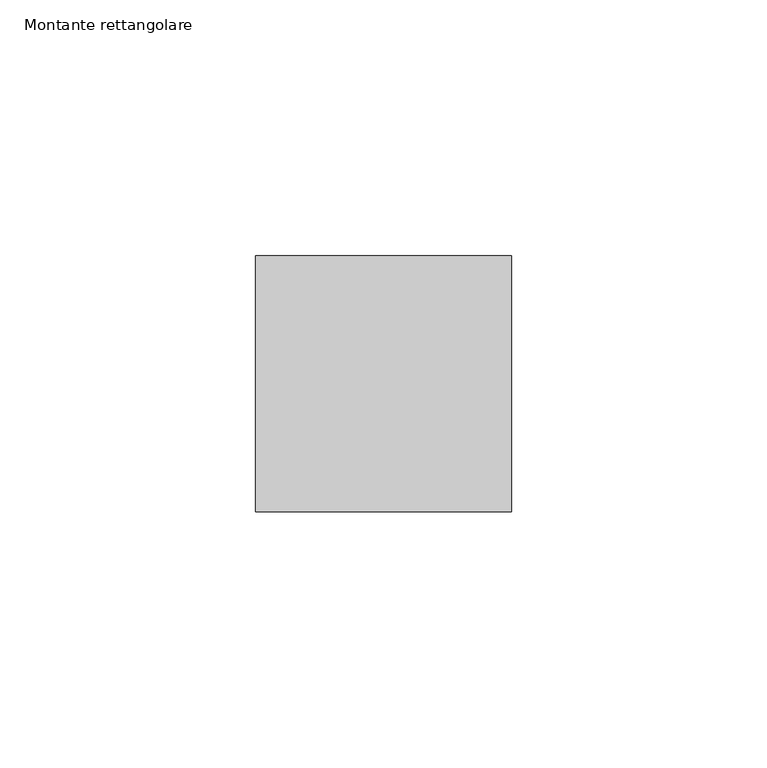
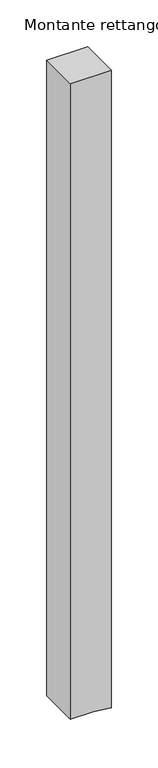
"""IFC4 building model written with IfcOpenShell, lengths in millimetres: member geometry, Montante rettangolare."""

from ifc_helpers import new_model, si_unit, frame, origin, place, context, project, spatial, polyline, outline, extrude, source, transform, mapped, element, save


def montante_rettangolare_e07019df(model_context):
    return source(origin(), model_context, "Body", "SweptSolid", [
        extrude(outline(polyline([(0.0, 25.0), (0.0, -25.0), (-826.7297629, -25.0), (-826.7297629, 2.8422312), (-829.2570293, 25.0), (0.0, 25.0)])), frame((0.0, -25.0, 0.0), z_axis=(0.0, 1.0, 0.0), x_axis=(0.0, 0.0, 1.0)), (0.0, 0.0, 1.0), 50.0),
    ])


if __name__ == "__main__":
    model = new_model("IFC4")
    model_context = context("Model", 3, world=origin())
    ifc_project = project(units=[si_unit("LENGTHUNIT", "METRE", prefix="MILLI")], contexts=[model_context])
    site = spatial("IfcSite", under=ifc_project)
    building = spatial("IfcBuilding", under=site)
    placement = place(None, origin())
    montante_rettangolare_shape = montante_rettangolare_e07019df(model_context)
    element("IfcMember", 1, ObjectType="Montante rettangolare", at=placement, inside=building, context=model_context, shape_type="MappedRepresentation", body=[
        mapped(montante_rettangolare_shape, transform((0.0, 0.0, 0.0), x_axis=(1.0, 0.0, 0.0), y_axis=(0.0, 1.0, 0.0), z_axis=(0.0, 0.0, 1.0))),
    ])
    save(model, "model.ifc")
